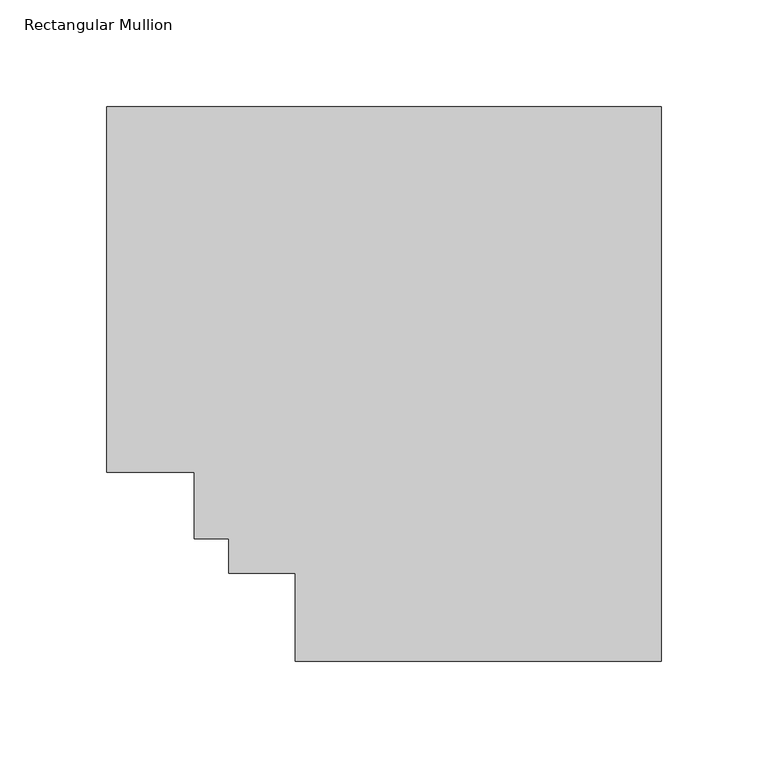
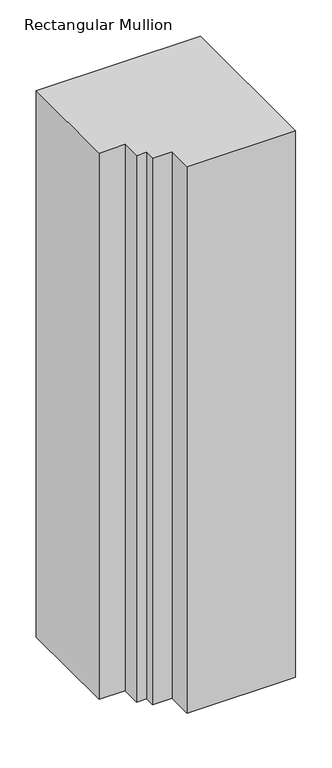
"""IFC4 building model written with IfcOpenShell, lengths in millimetres: member geometry, Rectangular Mullion."""

from ifc_helpers import new_model, si_unit, frame, origin, place, context, project, spatial, polyline, outline, extrude, source, transform, mapped, element, save


def rectangular_mullion_821adc04(model_context):
    return source(origin(), model_context, "Body", "SweptSolid", [
        extrude(outline(polyline([(0.0, 222.5381312), (0.0, -37.7563298), (-171.7178533, -37.7563298), (-171.7178533, 3.5059706), (-202.9598533, 3.5059706), (-202.9598533, 19.578278), (-219.0321606, 19.578278), (-219.0321606, 50.820278), (-260.294461, 50.820278), (-260.294461, 222.5381312), (0.0, 222.5381312)])), frame((0.0, 0.0, -914.4), z_axis=(0.0, 0.0, 1.0), x_axis=(1.0, 0.0, 0.0)), (0.0, 0.0, 1.0), 914.4),
    ])


if __name__ == "__main__":
    model = new_model("IFC4")
    model_context = context("Model", 3, world=origin())
    ifc_project = project(units=[si_unit("LENGTHUNIT", "METRE", prefix="MILLI")], contexts=[model_context])
    site = spatial("IfcSite", under=ifc_project)
    building = spatial("IfcBuilding", under=site)
    placement = place(None, origin())
    rectangular_mullion_shape = rectangular_mullion_821adc04(model_context)
    element("IfcMember", 1, ObjectType="Rectangular Mullion", at=placement, inside=building, context=model_context, shape_type="MappedRepresentation", body=[
        mapped(rectangular_mullion_shape, transform((0.0, 0.0, 0.0), x_axis=(1.0, 0.0, 0.0), y_axis=(0.0, 1.0, 0.0), z_axis=(0.0, 0.0, 1.0))),
    ])
    save(model, "model.ifc")
